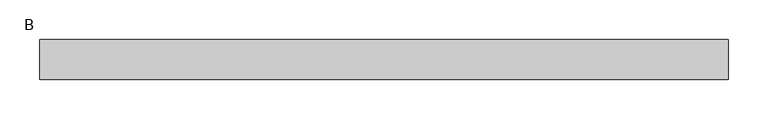
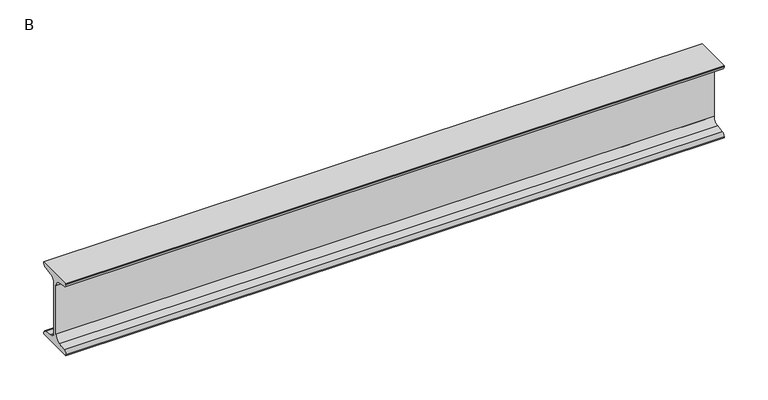
"""IFC4 building model written with IfcOpenShell, lengths in millimetres: beam geometry, B."""

from ifc_helpers import new_model, si_unit, point, frame, frame_2d, origin, place, context, project, spatial, polyline, circle_curve, trimmed, segment, composite_curve, outline, extrude, source, transform, mapped, element, save


def b_8262ea94(model_context):
    return source(origin(), model_context, "Body", "SweptSolid", [
        extrude(outline(composite_curve([segment(polyline([(25.0, 50.0), (25.0, 48.5034153)]), True, "CONTINUOUS"), segment(trimmed(circle_curve(frame_2d((20.5, 48.5034153)), 4.5), [point((25.0, 48.5034153))], [point((21.126279, 44.047209))], False, "CARTESIAN"), True, "CONTINUOUS"), segment(polyline([(21.126279, 44.047209), (10.0974421, 42.497207)]), True, "CONTINUOUS"), segment(trimmed(circle_curve(frame_2d((11.35, 33.5847944)), 9.0), [point((10.0974421, 42.497207))], [point((2.35, 33.5847944))], True, "CARTESIAN"), True, "CONTINUOUS"), segment(polyline([(2.35, 33.5847944), (2.35, -33.5847944)]), True, "CONTINUOUS"), segment(trimmed(circle_curve(frame_2d((11.35, -33.5847944)), 9.0), [point((2.35, -33.5847944))], [point((10.0974421, -42.497207))], True, "CARTESIAN"), True, "CONTINUOUS"), segment(polyline([(10.0974421, -42.497207), (21.126279, -44.047209)]), True, "CONTINUOUS"), segment(trimmed(circle_curve(frame_2d((20.5, -48.5034153)), 4.5), [point((21.126279, -44.047209))], [point((25.0, -48.5034153))], False, "CARTESIAN"), True, "CONTINUOUS"), segment(polyline([(25.0, -48.5034153), (25.0, -50.0), (-25.0, -50.0), (-25.0, -48.5034153)]), True, "CONTINUOUS"), segment(trimmed(circle_curve(frame_2d((-20.5, -48.5034153)), 4.5), [point((-25.0, -48.5034153))], [point((-21.126279, -44.047209))], False, "CARTESIAN"), True, "CONTINUOUS"), segment(polyline([(-21.126279, -44.047209), (-10.0974421, -42.497207)]), True, "CONTINUOUS"), segment(trimmed(circle_curve(frame_2d((-11.35, -33.5847944)), 9.0), [point((-10.0974421, -42.497207))], [point((-2.35, -33.5847944))], True, "CARTESIAN"), True, "CONTINUOUS"), segment(polyline([(-2.35, -33.5847944), (-2.35, 33.5847944)]), True, "CONTINUOUS"), segment(trimmed(circle_curve(frame_2d((-11.35, 33.5847944)), 9.0), [point((-2.35, 33.5847944))], [point((-10.0974421, 42.497207))], True, "CARTESIAN"), True, "CONTINUOUS"), segment(polyline([(-10.0974421, 42.497207), (-21.126279, 44.047209)]), True, "CONTINUOUS"), segment(trimmed(circle_curve(frame_2d((-20.5, 48.5034153)), 4.5), [point((-21.126279, 44.047209))], [point((-25.0, 48.5034153))], False, "CARTESIAN"), True, "CONTINUOUS"), segment(polyline([(-25.0, 48.5034153), (-25.0, 50.0), (25.0, 50.0)]), True, "CONTINUOUS")], self_intersect=False)), frame((-432.3, 0.0, 0.0), z_axis=(1.0, 0.0, 0.0), x_axis=(0.0, 1.0, 0.0)), (0.0, 0.0, 1.0), 864.6),
    ])


if __name__ == "__main__":
    model = new_model("IFC4")
    model_context = context("Model", 3, world=origin())
    ifc_project = project(units=[si_unit("LENGTHUNIT", "METRE", prefix="MILLI")], contexts=[model_context])
    site = spatial("IfcSite", under=ifc_project)
    building = spatial("IfcBuilding", under=site)
    placement = place(None, origin())
    b_shape = b_8262ea94(model_context)
    element("IfcBeam", 1, ObjectType="B", at=placement, inside=building, context=model_context, shape_type="MappedRepresentation", body=[
        mapped(b_shape, transform((0.0, 0.0, 0.0), x_axis=(1.0, 0.0, 0.0), y_axis=(0.0, 1.0, 0.0), z_axis=(0.0, 0.0, 1.0))),
    ])
    save(model, "model.ifc")
